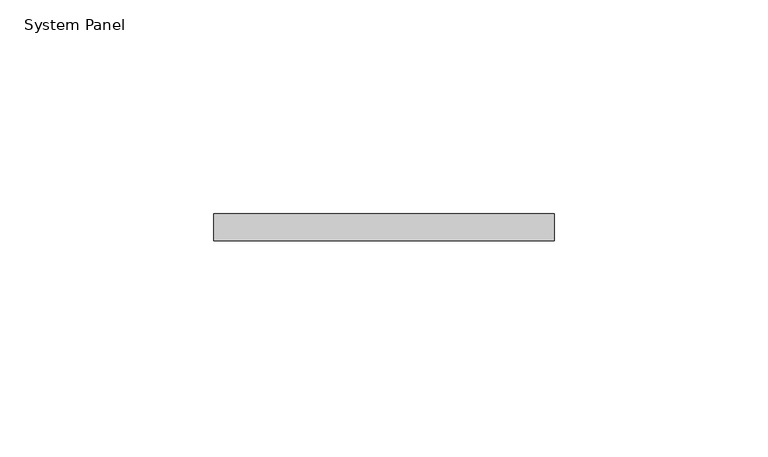
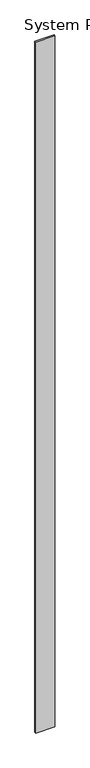
"""IFC4 building model written with IfcOpenShell, lengths in millimetres: plate geometry, System Panel."""

from ifc_helpers import new_model, si_unit, origin, origin_with_axes, place, context, project, spatial, polyline, outline, extrude, source, transform, mapped, element, save


def system_panel_822dd6f3(model_context):
    return source(origin(), model_context, "Body", "SweptSolid", [
        extrude(outline(polyline([(39.8878601, -6.35), (-39.8878601, -6.35), (-39.8878601, 0.0), (39.8878601, 0.0), (39.8878601, -6.35)])), origin_with_axes(), (0.0, 0.0, 1.0), 3048.0),
    ])


if __name__ == "__main__":
    model = new_model("IFC4")
    model_context = context("Model", 3, world=origin())
    ifc_project = project(units=[si_unit("LENGTHUNIT", "METRE", prefix="MILLI")], contexts=[model_context])
    site = spatial("IfcSite", under=ifc_project)
    building = spatial("IfcBuilding", under=site)
    placement = place(None, origin())
    system_panel_shape = system_panel_822dd6f3(model_context)
    element("IfcPlate", 1, ObjectType="System Panel", at=placement, inside=building, context=model_context, shape_type="MappedRepresentation", body=[
        mapped(system_panel_shape, transform((0.0, 0.0, 0.0), x_axis=(1.0, 0.0, 0.0), y_axis=(0.0, 1.0, 0.0), z_axis=(0.0, 0.0, 1.0))),
    ])
    save(model, "model.ifc")
